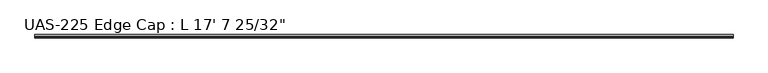
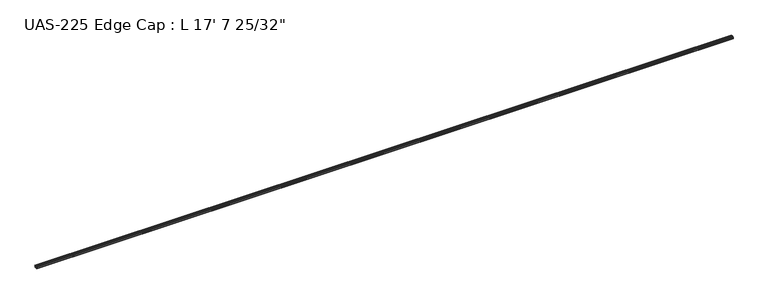
"""IFC4 building model written with IfcOpenShell, lengths in millimetres: proxy geometry."""

from ifc_helpers import new_model, si_unit, point, frame, frame_2d, origin, place, context, project, spatial, polyline, circle_curve, trimmed, segment, composite_curve, outline, extrude, source, transform, mapped, element, save


def proxy_1225e1eb(model_context):
    return source(origin(), model_context, "Body", "SweptSolid", [
        extrude(outline(composite_curve([segment(polyline([(17.4398781, 1.5875), (5.1612043, 1.5875)]), True, "CONTINUOUS"), segment(trimmed(circle_curve(frame_2d((3.5864043, 1.5875)), 1.5748), [point((5.1612043, 1.5875))], [point((2.0116043, 1.5875))], False, "CARTESIAN"), True, "CONTINUOUS"), segment(polyline([(2.0116043, 1.5875), (-2.1793957, 1.5875)]), True, "CONTINUOUS"), segment(trimmed(circle_curve(frame_2d((-3.7668957, 1.5875)), 1.5875), [point((-2.1793957, 1.5875))], [point((-5.3543957, 1.5875))], False, "CARTESIAN"), True, "CONTINUOUS"), segment(polyline([(-5.3543957, 1.5875), (-9.5453957, 1.5875), (-9.5453957, 14.2875), (-5.3543957, 14.2875)]), True, "CONTINUOUS"), segment(trimmed(circle_curve(frame_2d((-3.7668957, 14.2875)), 1.5875), [point((-5.3543957, 14.2875))], [point((-2.1793957, 14.2875))], False, "CARTESIAN"), True, "CONTINUOUS"), segment(polyline([(-2.1793957, 14.2875), (2.0116043, 14.2875)]), True, "CONTINUOUS"), segment(trimmed(circle_curve(frame_2d((3.5864043, 14.2875)), 1.5748), [point((2.0116043, 14.2875))], [point((5.1612043, 14.2875))], False, "CARTESIAN"), True, "CONTINUOUS"), segment(polyline([(5.1612043, 14.2875), (17.4398781, 14.2875), (17.4398781, 13.2461984)]), True, "CONTINUOUS"), segment(trimmed(circle_curve(frame_2d((16.7123859, 13.2461984)), 0.7274922), [point((17.4398781, 13.2461984))], [point((16.8595257, 12.5337415))], False, "CARTESIAN"), True, "CONTINUOUS"), segment(polyline([(16.8595257, 12.5337415), (15.3531342, 12.7274604), (14.5147118, 12.471129), (13.6762893, 12.7274604), (12.8378669, 12.471129), (11.9994444, 12.7274604), (11.161022, 12.471129), (10.3225996, 12.7274604), (9.4841771, 12.471129), (8.6103842, 12.7), (-6.3703957, 12.7)]), True, "CONTINUOUS"), segment(trimmed(circle_curve(frame_2d((-6.3703957, 11.1125)), 1.5875), [point((-6.3703957, 12.7))], [point((-7.9578957, 11.1125))], True, "CARTESIAN"), True, "CONTINUOUS"), segment(polyline([(-7.9578957, 11.1125), (-7.9578957, 4.7625)]), True, "CONTINUOUS"), segment(trimmed(circle_curve(frame_2d((-6.3703957, 4.7625)), 1.5875), [point((-7.9578957, 4.7625))], [point((-6.3703957, 3.175))], True, "CARTESIAN"), True, "CONTINUOUS"), segment(polyline([(-6.3703957, 3.175), (8.6103842, 3.175), (9.4841771, 3.403871), (10.3225996, 3.1475396), (11.161022, 3.403871), (11.9994444, 3.1475396), (12.8378669, 3.403871), (13.6762893, 3.1475396), (14.5147118, 3.403871), (15.3531342, 3.1475396), (16.8595257, 3.3412585)]), True, "CONTINUOUS"), segment(trimmed(circle_curve(frame_2d((16.7123859, 2.6288016)), 0.7274922), [point((16.8595257, 3.3412585))], [point((17.4398781, 2.6288016))], False, "CARTESIAN"), True, "CONTINUOUS"), segment(polyline([(17.4398781, 2.6288016), (17.4398781, 1.5875)]), True, "CONTINUOUS")], self_intersect=False)), frame((0.0, 0.0, 0.0), z_axis=(1.0, 0.0, 0.0), x_axis=(0.0, 1.0, 0.0)), (0.0, 0.0, 1.0), 5379.24375),
    ])


if __name__ == "__main__":
    model = new_model("IFC4")
    model_context = context("Model", 3, world=origin())
    ifc_project = project(units=[si_unit("LENGTHUNIT", "METRE", prefix="MILLI")], contexts=[model_context])
    site = spatial("IfcSite", under=ifc_project)
    building = spatial("IfcBuilding", under=site)
    placement = place(None, origin())
    proxy_shape = proxy_1225e1eb(model_context)
    element("IfcBuildingElementProxy", 1, Name="UAS-225 Edge Cap : L 17' 7 25/32\"", ObjectType="UAS-225 Edge Cap : L 17' 7 25/32\"", at=placement, inside=building, context=model_context, shape_type="MappedRepresentation", body=[
        mapped(proxy_shape, transform((0.0, 0.0, 0.0), x_axis=(1.0, 0.0, 0.0), y_axis=(0.0, 1.0, 0.0), z_axis=(0.0, 0.0, 1.0))),
    ])
    save(model, "model.ifc")
